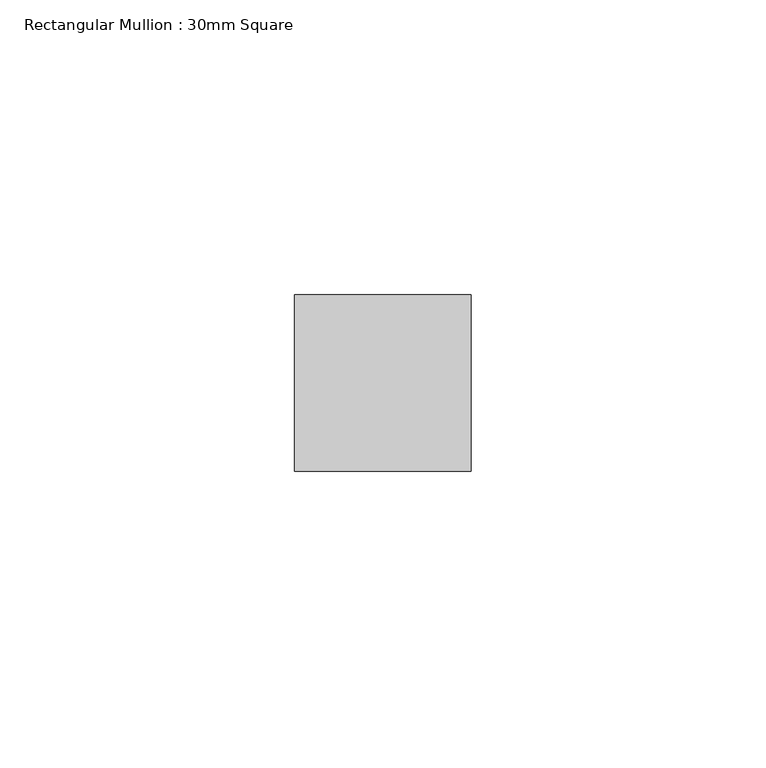
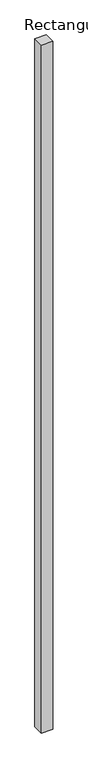
"""IFC4 building model written with IfcOpenShell, lengths in millimetres: member geometry, Rectangular Mullion : 30mm Square."""

from ifc_helpers import new_model, si_unit, frame, origin, place, context, project, spatial, polyline, outline, extrude, source, transform, mapped, element, save


def rectangular_mullion_30mm_square_2e537da0(model_context):
    return source(origin(), model_context, "Body", "SweptSolid", [
        extrude(outline(polyline([(0.0, 15.0), (0.0, -15.0), (-30.0, -15.0), (-30.0, 15.0), (0.0, 15.0)])), frame((0.0, 0.0, -1925.3187667), z_axis=(0.0, 0.0, 1.0), x_axis=(1.0, 0.0, 0.0)), (0.0, 0.0, 1.0), 1925.3187667),
    ])


if __name__ == "__main__":
    model = new_model("IFC4")
    model_context = context("Model", 3, world=origin())
    ifc_project = project(units=[si_unit("LENGTHUNIT", "METRE", prefix="MILLI")], contexts=[model_context])
    site = spatial("IfcSite", under=ifc_project)
    building = spatial("IfcBuilding", under=site)
    placement = place(None, origin())
    rectangular_mullion_30mm_square_shape = rectangular_mullion_30mm_square_2e537da0(model_context)
    element("IfcMember", 1, ObjectType="Rectangular Mullion : 30mm Square", at=placement, inside=building, context=model_context, shape_type="MappedRepresentation", body=[
        mapped(rectangular_mullion_30mm_square_shape, transform((0.0, 0.0, 0.0), x_axis=(1.0, 0.0, 0.0), y_axis=(0.0, 1.0, 0.0), z_axis=(0.0, 0.0, 1.0))),
    ])
    save(model, "model.ifc")
